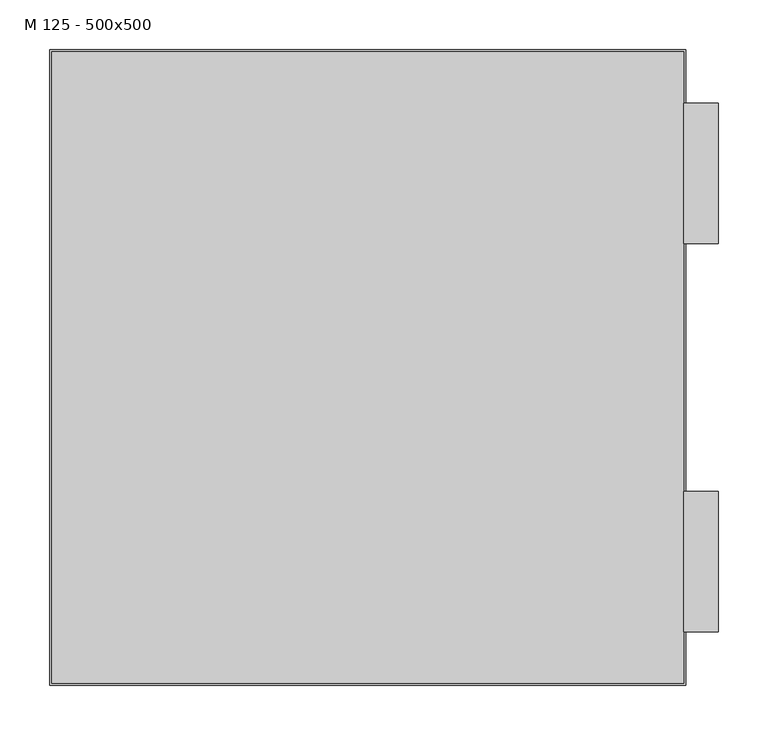
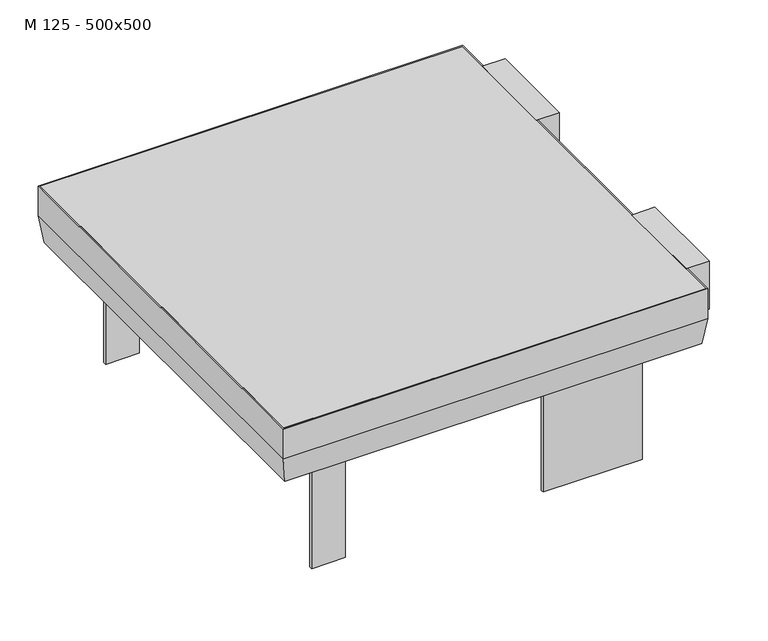
"""IFC4 building model written with IfcOpenShell, lengths in millimetres: proxy geometry, M 125 - 500x500."""

from ifc_helpers import new_model, si_unit, frame, origin, place, context, project, spatial, polyline, outline, extrude, faceted_brep, source, transform, mapped, element, save


def m_125_500x500_6433a7a4(model_context):
    return source(origin(), model_context, "Body", "SolidModel", [
        extrude(outline(polyline([(319.0, -125.0), (354.0, -125.0), (354.0, -267.0), (319.0, -267.0), (319.0, -125.0)])), frame((0.0, 0.0, -76.5), z_axis=(0.0, 0.0, 1.0), x_axis=(1.0, 0.0, 0.0)), (0.0, 0.0, 1.0), 76.5),
        extrude(outline(polyline([(319.0, 267.0), (354.0, 267.0), (354.0, 125.0), (319.0, 125.0), (319.0, 267.0)])), frame((0.0, 0.0, -76.5), z_axis=(0.0, 0.0, 1.0), x_axis=(1.0, 0.0, 0.0)), (0.0, 0.0, 1.0), 76.5),
        extrude(outline(polyline([(318.9610723, 318.9610723), (318.9610723, -318.9610723), (-318.9610723, -318.9610723), (-318.9610723, 318.9610723), (318.9610723, 318.9610723)])), frame((0.0, 0.0, -5.0), z_axis=(0.0, 0.0, 1.0), x_axis=(1.0, 0.0, 0.0)), (0.0, 0.0, 1.0), 5.0),
        faceted_brep([(318.9610723, 318.9610723, 0.0), (318.9610723, 318.9610723, -47.1371315), (318.9610723, -318.9610723, -47.1371315), (318.9610723, -318.9610723, 0.0), (320.9610723, 320.9610723, -47.2769852), (320.9610723, 320.9610723, 0.0), (320.9610723, -320.9610723, 0.0), (320.9610723, -320.9610723, -47.2769852), (-318.9610723, -318.9610723, -47.1371315), (-318.9610723, -318.9610723, 0.0), (-320.9610723, -320.9610723, 0.0), (-320.9610723, -320.9610723, -47.2769852), (-318.9610723, 318.9610723, -47.1371315), (-318.9610723, 318.9610723, 0.0), (-320.9610723, 320.9610723, 0.0), (-320.9610723, 320.9610723, -47.2769852), (313.3587115, 313.3587115, -87.0), (313.3587115, -313.3587115, -87.0), (-313.3587115, -313.3587115, -87.0), (-313.3587115, 313.3587115, -87.0), (250.0, -250.0, -87.0), (-250.0, -250.0, -87.0), (-250.0, 250.0, -87.0), (250.0, 250.0, -87.0), (315.0972849, -315.0972849, -89.0), (-315.0972849, -315.0972849, -89.0), (-315.0972849, 315.0972849, -89.0), (315.0972849, 315.0972849, -89.0), (250.0, 250.0, -89.0), (-250.0, 250.0, -89.0), (-250.0, -250.0, -89.0), (250.0, -250.0, -89.0)], [[[0, 1, 2, 3]], [[4, 5, 6, 7]], [[3, 2, 8, 9]], [[7, 6, 10, 11]], [[9, 8, 12, 13]], [[11, 10, 14, 15]], [[13, 12, 1, 0]], [[5, 14, 10, 6], [3, 9, 13, 0]], [[15, 14, 5, 4]], [[1, 16, 17, 2]], [[2, 17, 18, 8]], [[8, 18, 19, 12]], [[16, 19, 18, 17], [20, 21, 22, 23]], [[12, 19, 16, 1]], [[24, 25, 26, 27], [28, 29, 30, 31]], [[23, 28, 31, 20]], [[20, 31, 30, 21]], [[21, 30, 29, 22]], [[22, 29, 28, 23]], [[27, 4, 7, 24]], [[24, 7, 11, 25]], [[25, 11, 15, 26]], [[26, 15, 4, 27]]]),
        faceted_brep([(-266.0, -266.0, -89.0), (-266.0, -266.0, -87.0), (-266.0, 266.0, -87.0), (-266.0, 266.0, -89.0), (-245.1690105, -245.1690105, -109.5), (-253.786417, -253.786417, -89.0), (-253.786417, 253.786417, -89.0), (-245.1690105, 245.1690105, -109.5), (-253.0, -253.0, -87.0), (-244.1724128, -244.1724128, -108.0), (-244.1724128, 244.1724128, -108.0), (-253.0, 253.0, -87.0), (266.0, 266.0, -87.0), (266.0, 266.0, -89.0), (253.786417, 253.786417, -89.0), (245.1690105, 245.1690105, -109.5), (244.1724128, 244.1724128, -108.0), (253.0, 253.0, -87.0), (266.0, -266.0, -87.0), (266.0, -266.0, -89.0), (253.786417, -253.786417, -89.0), (245.1690105, -245.1690105, -109.5), (244.1724128, -244.1724128, -108.0), (253.0, -253.0, -87.0)], [[[0, 1, 2, 3]], [[4, 5, 6, 7]], [[8, 9, 10, 11]], [[3, 2, 12, 13]], [[7, 6, 14, 15]], [[11, 10, 16, 17]], [[13, 12, 18, 19]], [[15, 14, 20, 21]], [[17, 16, 22, 23]], [[2, 1, 18, 12], [8, 11, 17, 23]], [[1, 0, 19, 18]], [[0, 3, 13, 19], [6, 5, 20, 14]], [[5, 4, 21, 20]], [[4, 7, 15, 21]], [[10, 9, 22, 16]], [[9, 8, 23, 22]]]),
        extrude(outline(polyline([(250.0, 272.0), (250.0, 267.0), (100.0, 267.0), (100.0, 272.0), (250.0, 272.0)])), frame((0.0, 0.0, -277.5), z_axis=(0.0, 0.0, 1.0), x_axis=(1.0, 0.0, 0.0)), (0.0, 0.0, 1.0), 188.5),
        extrude(outline(polyline([(250.0, -267.0), (250.0, -272.0), (100.0, -272.0), (100.0, -267.0), (250.0, -267.0)])), frame((0.0, 0.0, -277.5), z_axis=(0.0, 0.0, 1.0), x_axis=(1.0, 0.0, 0.0)), (0.0, 0.0, 1.0), 188.5),
        extrude(outline(polyline([(-199.0, 272.0), (-199.0, 267.0), (-250.0, 267.0), (-250.0, 272.0), (-199.0, 272.0)])), frame((0.0, 0.0, -277.5), z_axis=(0.0, 0.0, 1.0), x_axis=(1.0, 0.0, 0.0)), (0.0, 0.0, 1.0), 188.5),
        extrude(outline(polyline([(-199.0, -267.0), (-199.0, -272.0), (-250.0, -272.0), (-250.0, -267.0), (-199.0, -267.0)])), frame((0.0, 0.0, -277.5), z_axis=(0.0, 0.0, 1.0), x_axis=(1.0, 0.0, 0.0)), (0.0, 0.0, 1.0), 188.5),
    ])


if __name__ == "__main__":
    model = new_model("IFC4")
    model_context = context("Model", 3, world=origin())
    ifc_project = project(units=[si_unit("LENGTHUNIT", "METRE", prefix="MILLI")], contexts=[model_context])
    site = spatial("IfcSite", under=ifc_project)
    building = spatial("IfcBuilding", under=site)
    placement = place(None, origin())
    m_125_500x500_shape = m_125_500x500_6433a7a4(model_context)
    element("IfcBuildingElementProxy", 1, Name="M 125 - 500x500", ObjectType="M 125 - 500x500", at=placement, inside=building, context=model_context, shape_type="MappedRepresentation", body=[
        mapped(m_125_500x500_shape, transform((0.0, 0.0, 0.0), x_axis=(1.0, 0.0, 0.0), y_axis=(0.0, 1.0, 0.0), z_axis=(0.0, 0.0, 1.0))),
    ])
    save(model, "model.ifc")
